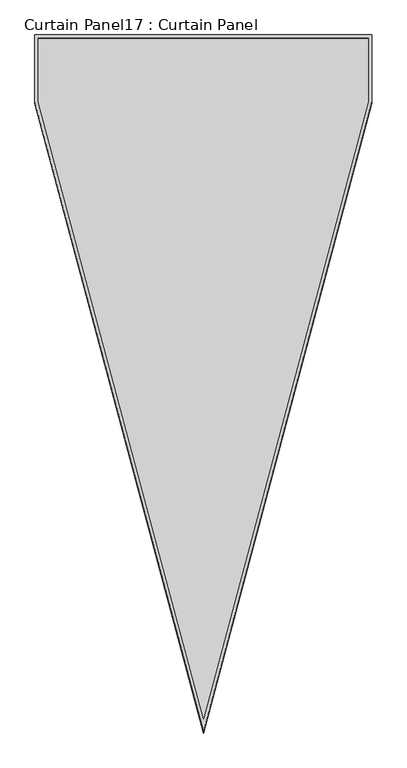
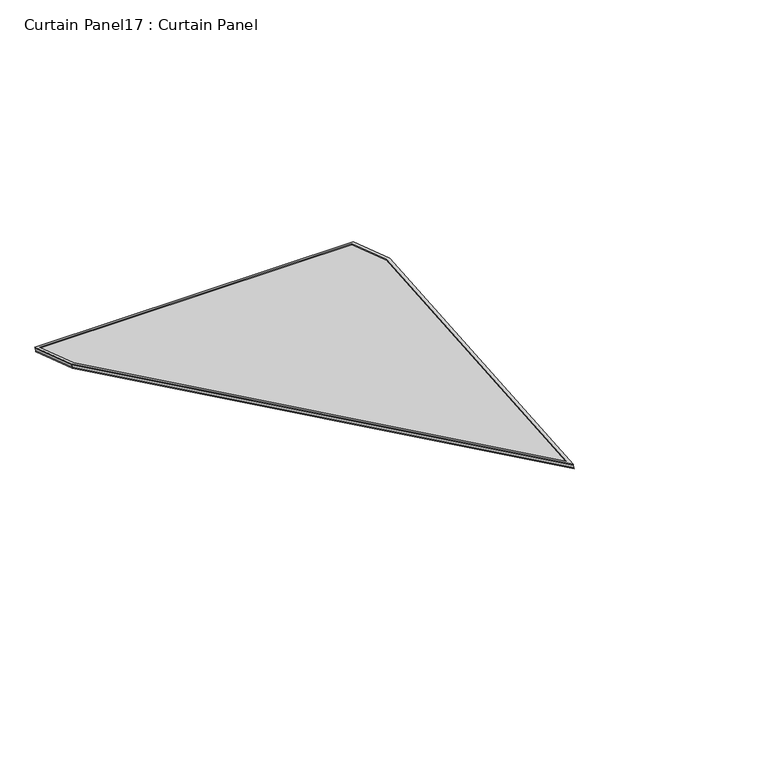
"""IFC4 building model written with IfcOpenShell, lengths in millimetres: plate geometry, Curtain Panel17 : Curtain Panel."""

from ifc_helpers import new_model, si_unit, frame, origin, place, context, project, spatial, polyline, outline, extrude, source, transform, mapped, element, save


def curtain_panel17_curtain_panel_834ee45a(model_context):
    return source(origin(), model_context, "Body", "SweptSolid", [
        extrude(outline(polyline([(847.4211142, -3689.0744215), (0.0, -355.4776149), (0.0, 0.0), (1694.8442516, 0.0), (1694.8442516, -355.4696562), (847.4211142, -3689.0744215)]), holes=[polyline([(1678.1814537, -16.6627979), (16.6627979, -16.6627979), (16.6627979, -353.3928735), (847.4211142, -3621.4413373), (1678.1814537, -353.3849148), (1678.1814537, -16.6627979)])]), frame((11439.219926, 4890.3210348, 1932.1072598), z_axis=(0.0, 0.3161458239738057, 0.948710608132914), x_axis=(1.0, 0.0, 0.0)), (0.0, 0.0, 1.0), 4.8759628),
        extrude(outline(polyline([(847.4211142, -3689.0744215), (0.0, -355.4776148), (0.0, 0.0), (1694.8442516, 0.0), (1694.8442516, -355.4696561), (847.4211142, -3689.0744215)]), holes=[polyline([(1684.5314537, -10.3127979), (10.3127979, -10.3127979), (10.3127979, -354.1873443), (847.4211142, -3647.2155252), (1684.5314537, -354.1793856), (1684.5314537, -10.3127979)])]), frame((11439.219926, 4884.7623083, 1915.4262779), z_axis=(0.0, 0.3161458239738057, 0.948710608132914), x_axis=(1.0, 0.0, 0.0)), (0.0, 0.0, 1.0), 4.7751335),
        extrude(outline(polyline([(12.7, 0.0), (1707.5442516, 0.0), (1707.5442516, -355.4696561), (860.1211142, -3689.0744215), (12.7, -355.4776148), (12.7, 0.0)])), frame((11426.519926, 4886.2719468, 1919.9564977), z_axis=(0.0, 0.3161458239738058, 0.948710608132914), x_axis=(1.0, 0.0, 0.0)), (0.0, 0.0, 1.0), 12.8076591),
    ])


if __name__ == "__main__":
    model = new_model("IFC4")
    model_context = context("Model", 3, world=origin())
    ifc_project = project(units=[si_unit("LENGTHUNIT", "METRE", prefix="MILLI")], contexts=[model_context])
    site = spatial("IfcSite", under=ifc_project)
    building = spatial("IfcBuilding", under=site)
    placement = place(None, origin())
    curtain_panel17_curtain_panel_shape = curtain_panel17_curtain_panel_834ee45a(model_context)
    element("IfcPlate", 1, ObjectType="Curtain Panel17 : Curtain Panel", at=placement, inside=building, context=model_context, shape_type="MappedRepresentation", body=[
        mapped(curtain_panel17_curtain_panel_shape, transform((0.0, 0.0, 0.0), x_axis=(1.0, 0.0, 0.0), y_axis=(0.0, 1.0, 0.0), z_axis=(0.0, 0.0, 1.0))),
    ])
    save(model, "model.ifc")
